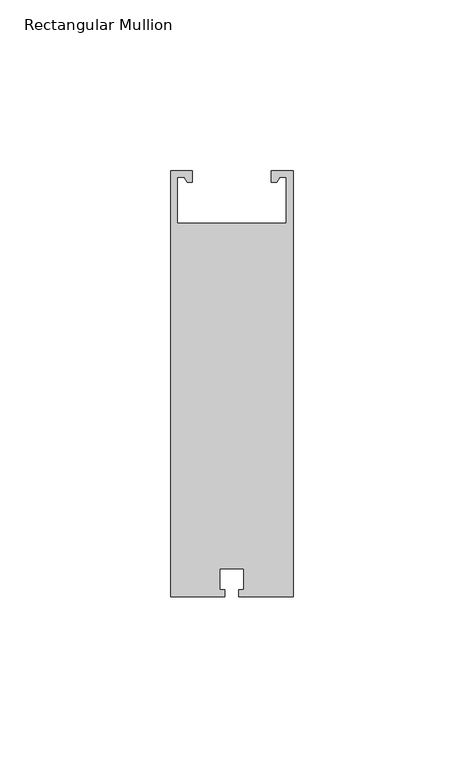
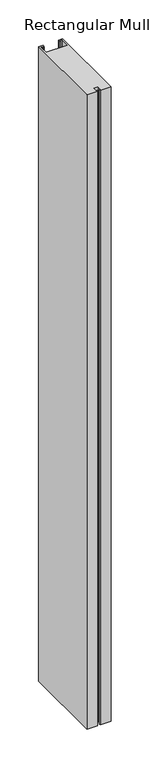
"""IFC4 building model written with IfcOpenShell, lengths in millimetres: member geometry, Rectangular Mullion."""

from ifc_helpers import new_model, si_unit, frame, origin, place, context, project, spatial, polyline, outline, extrude, source, transform, mapped, element, save


def rectangular_mullion_0e9c042d(model_context):
    return source(origin(), model_context, "Body", "SweptSolid", [
        extrude(outline(polyline([(-4.8660254, 121.5), (-6.4, 121.5), (-6.4, 125.0), (0.0, 125.0), (0.0, 0.0), (-15.95, 0.0), (-15.95, 2.1), (-14.5, 2.1), (-14.5, 8.3), (-21.5, 8.3), (-21.5, 2.1), (-20.05, 2.1), (-20.05, 0.0), (-36.0, 0.0), (-36.0, 125.0), (-29.6, 125.0), (-29.6, 121.5), (-31.1339746, 121.5), (-32.0, 123.0), (-34.0, 123.0), (-34.0, 109.5), (-2.0, 109.5), (-2.0, 123.0), (-4.0, 123.0), (-4.8660254, 121.5)])), frame((0.0, 0.0, -1000.0), z_axis=(0.0, 0.0, 1.0), x_axis=(1.0, 0.0, 0.0)), (0.0, 0.0, 1.0), 1000.0),
    ])


if __name__ == "__main__":
    model = new_model("IFC4")
    model_context = context("Model", 3, world=origin())
    ifc_project = project(units=[si_unit("LENGTHUNIT", "METRE", prefix="MILLI")], contexts=[model_context])
    site = spatial("IfcSite", under=ifc_project)
    building = spatial("IfcBuilding", under=site)
    placement = place(None, origin())
    rectangular_mullion_shape = rectangular_mullion_0e9c042d(model_context)
    element("IfcMember", 1, ObjectType="Rectangular Mullion", at=placement, inside=building, context=model_context, shape_type="MappedRepresentation", body=[
        mapped(rectangular_mullion_shape, transform((0.0, 0.0, 0.0), x_axis=(1.0, 0.0, 0.0), y_axis=(0.0, 1.0, 0.0), z_axis=(0.0, 0.0, 1.0))),
    ])
    save(model, "model.ifc")
